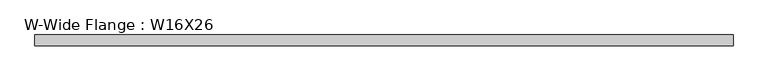
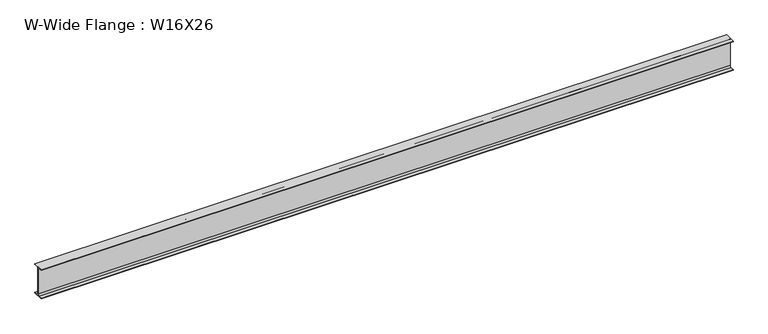
"""IFC4 building model written with IfcOpenShell, lengths in millimetres: beam geometry, W-Wide Flange : W16X26."""

from ifc_helpers import new_model, si_unit, point, frame, frame_2d, origin, place, context, project, spatial, polyline, circle_curve, trimmed, segment, composite_curve, outline, extrude, source, transform, mapped, element, save


def w_wide_flange_w16x26_95fa4940(model_context):
    return source(origin(), model_context, "Body", "SweptSolid", [
        extrude(outline(composite_curve([segment(polyline([(69.85, -190.5496094), (69.85, -199.2808594), (-69.85, -199.2808594), (-69.85, -190.5496094), (-21.43125, -190.5496094)]), True, "CONTINUOUS"), segment(trimmed(circle_curve(frame_2d((-21.43125, -172.2933594)), 18.25625), [point((-21.43125, -190.5496094))], [point((-3.175, -172.2933594))], True, "CARTESIAN"), True, "CONTINUOUS"), segment(polyline([(-3.175, -172.2933594), (-3.175, 172.2933594)]), True, "CONTINUOUS"), segment(trimmed(circle_curve(frame_2d((-21.43125, 172.2933594)), 18.25625), [point((-3.175, 172.2933594))], [point((-21.43125, 190.5496094))], True, "CARTESIAN"), True, "CONTINUOUS"), segment(polyline([(-21.43125, 190.5496094), (-69.85, 190.5496094), (-69.85, 199.2808594), (69.85, 199.2808594), (69.85, 190.5496094), (21.43125, 190.5496094)]), True, "CONTINUOUS"), segment(trimmed(circle_curve(frame_2d((21.43125, 172.2933594)), 18.25625), [point((21.43125, 190.5496094))], [point((3.175, 172.2933594))], True, "CARTESIAN"), True, "CONTINUOUS"), segment(polyline([(3.175, 172.2933594), (3.175, -172.2933594)]), True, "CONTINUOUS"), segment(trimmed(circle_curve(frame_2d((21.43125, -172.2933594)), 18.25625), [point((3.175, -172.2933594))], [point((21.43125, -190.5496094))], True, "CARTESIAN"), True, "CONTINUOUS"), segment(polyline([(21.43125, -190.5496094), (69.85, -190.5496094)]), True, "CONTINUOUS")], self_intersect=False)), frame((-4455.1699219, 0.0, 0.0), z_axis=(1.0, 0.0, 0.0), x_axis=(0.0, 1.0, 0.0)), (0.0, 0.0, 1.0), 8938.2699219),
    ])


if __name__ == "__main__":
    model = new_model("IFC4")
    model_context = context("Model", 3, world=origin())
    ifc_project = project(units=[si_unit("LENGTHUNIT", "METRE", prefix="MILLI")], contexts=[model_context])
    site = spatial("IfcSite", under=ifc_project)
    building = spatial("IfcBuilding", under=site)
    placement = place(None, origin())
    w_wide_flange_w16x26_shape = w_wide_flange_w16x26_95fa4940(model_context)
    element("IfcBeam", 1, ObjectType="W-Wide Flange : W16X26", at=placement, inside=building, context=model_context, shape_type="MappedRepresentation", body=[
        mapped(w_wide_flange_w16x26_shape, transform((0.0, 0.0, 0.0), x_axis=(1.0, 0.0, 0.0), y_axis=(0.0, 1.0, 0.0), z_axis=(0.0, 0.0, 1.0))),
    ])
    save(model, "model.ifc")
